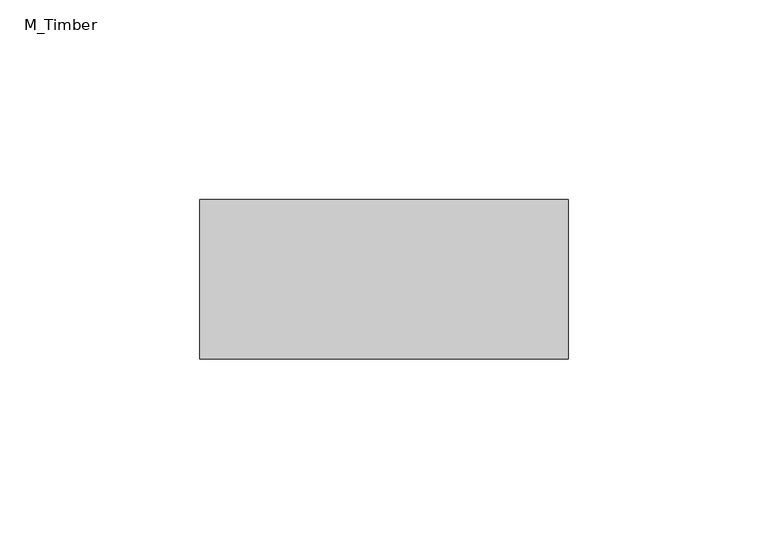
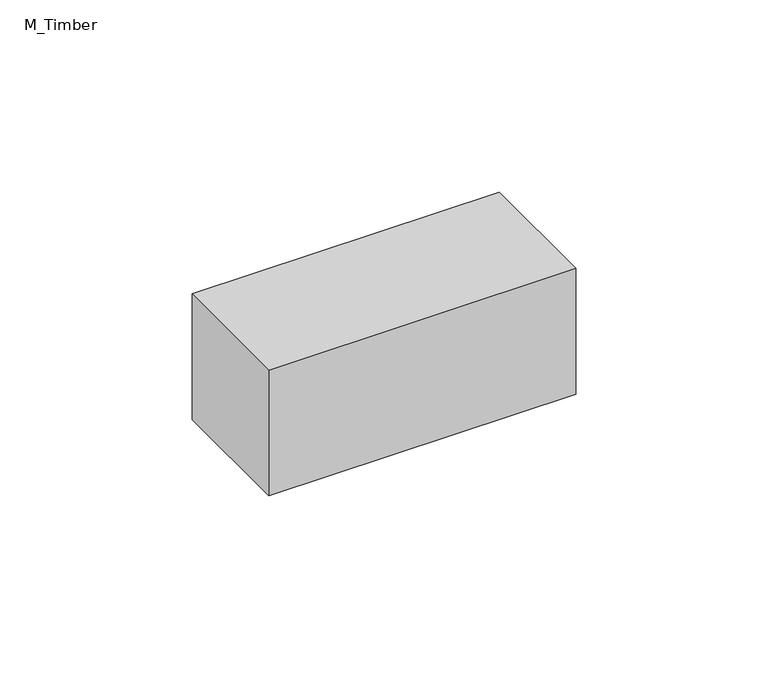
"""IFC4 building model written with IfcOpenShell, lengths in millimetres: beam geometry, M_Timber."""

from ifc_helpers import new_model, si_unit, frame, origin, place, context, project, spatial, polyline, outline, extrude, source, transform, mapped, element, save


def m_timber_aab27e8a(model_context):
    return source(origin(), model_context, "Body", "SweptSolid", [
        extrude(outline(polyline([(46.1681134, 20.0), (46.1681134, -20.0), (-46.1681134, -20.0), (-46.1681134, 20.0), (46.1681134, 20.0)])), frame((0.0, 0.0, -20.0), z_axis=(0.0, 0.0, 1.0), x_axis=(1.0, 0.0, 0.0)), (0.0, 0.0, 1.0), 40.0),
    ])


if __name__ == "__main__":
    model = new_model("IFC4")
    model_context = context("Model", 3, world=origin())
    ifc_project = project(units=[si_unit("LENGTHUNIT", "METRE", prefix="MILLI")], contexts=[model_context])
    site = spatial("IfcSite", under=ifc_project)
    building = spatial("IfcBuilding", under=site)
    placement = place(None, origin())
    m_timber_shape = m_timber_aab27e8a(model_context)
    element("IfcBeam", 1, ObjectType="M_Timber", at=placement, inside=building, context=model_context, shape_type="MappedRepresentation", body=[
        mapped(m_timber_shape, transform((0.0, 0.0, 0.0), x_axis=(1.0, 0.0, 0.0), y_axis=(0.0, 1.0, 0.0), z_axis=(0.0, 0.0, 1.0))),
    ])
    save(model, "model.ifc")
